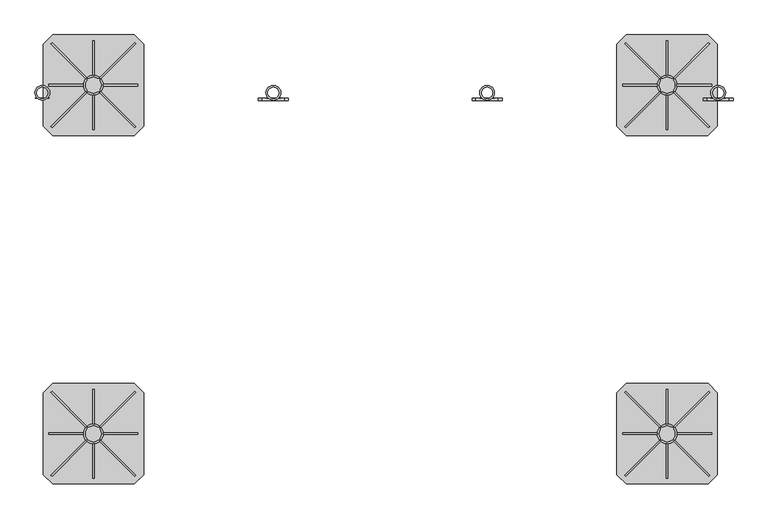
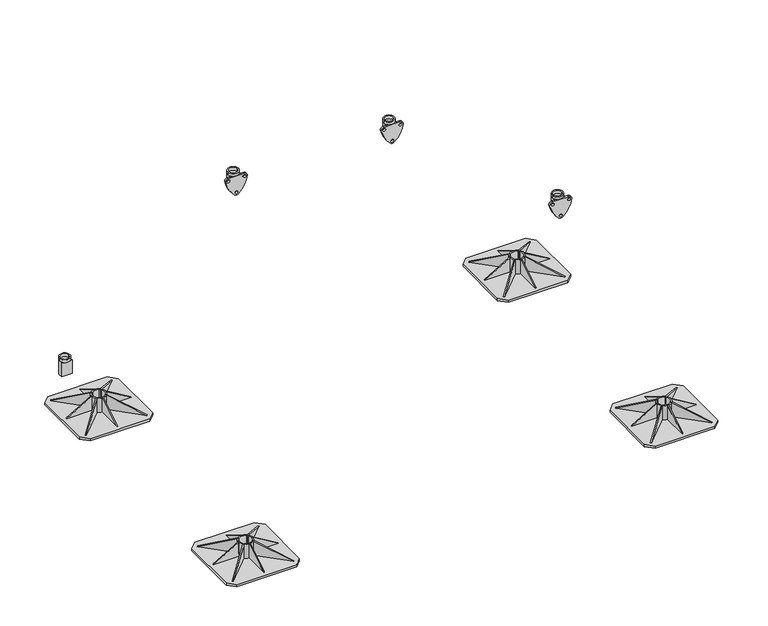
"""IFC4 building model written with IfcOpenShell, lengths in millimetres: beam geometry."""

from ifc_helpers import new_model, si_unit, point, frame, frame_2d, origin, origin_with_axes, place, context, project, spatial, polyline, circle_curve, trimmed, segment, composite_curve, outline, extrude, source, transform, mapped, element, save
from ifc_brep_helpers import plane_surface, cylinder_surface, revolved_surface, advanced_brep


def beam_ab8b3437(model_context):
    return source(origin(), model_context, "Body", "SolidModel", [
        extrude(outline(polyline([(0.0, 0.0), (169.9235121, 0.0), (145.0593839, -60.0564328), (0.0, 0.0)])), frame((1044.0218613, 419.9426048, 10.0), z_axis=(0.7071067811865491, 0.7071067811865459, 0.0), x_axis=(-0.653327860317026, 0.653327860317029, 0.3825250499864671)), (0.0, 0.0, 1.0), 5.0),
        extrude(outline(polyline([(0.0, 0.0), (-145.0593839, -60.0564328), (-169.9235121, 0.0), (0.0, 0.0)])), frame((780.9781387, 419.9426048, 10.0), z_axis=(-0.7071067811865449, 0.7071067811865502, 0.0), x_axis=(-0.65332786031703, -0.653327860317025, -0.38252504998646697)), (0.0, 0.0, 1.0), 5.0),
        extrude(outline(polyline([(0.0, 0.0), (169.9235121, 0.0), (145.0593839, -60.0564328), (0.0, 0.0)])), frame((1047.5573952, 686.5218613, 10.0), z_axis=(-0.707106781186539, 0.7071067811865561, 0.0), x_axis=(-0.6533278603170355, -0.6533278603170196, 0.3825250499864671)), (0.0, 0.0, 1.0), 5.0),
        extrude(outline(polyline([(10.0, 771.0), (10.0, 881.0), (75.0, 881.0), (10.0, 771.0)])), frame((0.0, 552.5, 0.0), z_axis=(0.0, 1.0, 0.0), x_axis=(0.0, 0.0, 1.0)), (0.0, 0.0, 1.0), 5.0),
        extrude(outline(polyline([(696.5, 10.0), (586.5, 10.0), (586.5, 75.0), (696.5, 10.0)])), frame((910.0, 0.0, 0.0), z_axis=(1.0, 0.0, 0.0), x_axis=(0.0, 1.0, 0.0)), (0.0, 0.0, 1.0), 5.0),
        extrude(outline(polyline([(413.5, 10.0), (523.5, 75.0), (523.5, 10.0), (413.5, 10.0)])), frame((910.0, 0.0, 0.0), z_axis=(1.0, 0.0, 0.0), x_axis=(0.0, 1.0, 0.0)), (0.0, 0.0, 1.0), 5.0),
        extrude(outline(polyline([(0.0, 0.0), (-145.0593839, -60.0564328), (-169.9235121, 0.0), (0.0, 0.0)])), frame((777.4426048, 686.5218613, 10.0), z_axis=(0.7071067811865491, 0.707106781186546, 0.0), x_axis=(-0.6533278603170262, 0.653327860317029, -0.3825250499864671)), (0.0, 0.0, 1.0), 5.0),
        extrude(outline(polyline([(10.0, 1054.0), (75.0, 944.0), (10.0, 944.0), (10.0, 1054.0)])), frame((0.0, 552.5, 0.0), z_axis=(0.0, 1.0, 0.0), x_axis=(0.0, 0.0, 1.0)), (0.0, 0.0, 1.0), 5.0),
        extrude(outline(composite_curve([segment(trimmed(circle_curve(frame_2d((912.5, 555.0)), 31.5), [point((881.0, 555.0))], [point((944.0, 555.0))], False, "CARTESIAN"), True, "CONTINUOUS"), segment(trimmed(circle_curve(frame_2d((912.5, 555.0)), 31.5), [point((944.0, 555.0))], [point((881.0, 555.0))], False, "CARTESIAN"), True, "CONTINUOUS")], self_intersect=False), holes=[composite_curve([segment(polyline([(892.5, 540.0), (892.5, 535.0), (897.5, 535.0)]), True, "CONTINUOUS"), segment(trimmed(circle_curve(frame_2d((912.5, 555.0)), 25.0), [point((897.5, 535.0))], [point((927.5, 535.0))], True, "CARTESIAN"), True, "CONTINUOUS"), segment(polyline([(927.5, 535.0), (932.5, 535.0), (932.5, 540.0)]), True, "CONTINUOUS"), segment(trimmed(circle_curve(frame_2d((912.5, 555.0)), 25.0), [point((932.5, 540.0))], [point((932.5, 570.0))], True, "CARTESIAN"), True, "CONTINUOUS"), segment(polyline([(932.5, 570.0), (932.5, 575.0), (927.5, 575.0)]), True, "CONTINUOUS"), segment(trimmed(circle_curve(frame_2d((912.5, 555.0)), 25.0), [point((927.5, 575.0))], [point((897.5, 575.0))], True, "CARTESIAN"), True, "CONTINUOUS"), segment(polyline([(897.5, 575.0), (892.5, 575.0), (892.5, 570.0)]), True, "CONTINUOUS"), segment(trimmed(circle_curve(frame_2d((912.5, 555.0)), 25.0), [point((892.5, 570.0))], [point((892.5, 540.0))], True, "CARTESIAN"), True, "CONTINUOUS")], self_intersect=False)]), frame((0.0, 0.0, 10.0), z_axis=(0.0, 0.0, 1.0), x_axis=(1.0, 0.0, 0.0)), (0.0, 0.0, 1.0), 65.0),
        extrude(outline(polyline([(1042.5, 715.0), (1072.5, 685.0), (1072.5, 425.0), (1042.5, 395.0), (782.5, 395.0), (752.5, 425.0), (752.5, 685.0), (782.5, 715.0), (1042.5, 715.0)])), origin_with_axes(), (0.0, 0.0, 1.0), 10.0),
        extrude(outline(polyline([(0.0, 0.0), (169.9235121, 0.0), (145.0593839, -60.0564328), (0.0, 0.0)])), frame((-780.9781387, 419.9426048, 10.0), z_axis=(0.7071067811865491, 0.7071067811865459, 0.0), x_axis=(-0.653327860317026, 0.653327860317029, 0.3825250499864671)), (0.0, 0.0, 1.0), 5.0),
        extrude(outline(polyline([(0.0, 0.0), (-145.0593839, -60.0564328), (-169.9235121, 0.0), (0.0, 0.0)])), frame((-1044.0218613, 419.9426048, 10.0), z_axis=(-0.7071067811865449, 0.7071067811865502, 0.0), x_axis=(-0.65332786031703, -0.653327860317025, -0.38252504998646697)), (0.0, 0.0, 1.0), 5.0),
        extrude(outline(polyline([(0.0, 0.0), (169.9235121, 0.0), (145.0593839, -60.0564328), (0.0, 0.0)])), frame((-777.4426048, 686.5218613, 10.0), z_axis=(-0.707106781186539, 0.7071067811865561, 0.0), x_axis=(-0.6533278603170355, -0.6533278603170196, 0.3825250499864671)), (0.0, 0.0, 1.0), 5.0),
        extrude(outline(polyline([(10.0, -1054.0), (10.0, -944.0), (75.0, -944.0), (10.0, -1054.0)])), frame((0.0, 552.5, 0.0), z_axis=(0.0, 1.0, 0.0), x_axis=(0.0, 0.0, 1.0)), (0.0, 0.0, 1.0), 5.0),
        extrude(outline(polyline([(696.5, 10.0), (586.5, 10.0), (586.5, 75.0), (696.5, 10.0)])), frame((-915.0, 0.0, 0.0), z_axis=(1.0, 0.0, 0.0), x_axis=(0.0, 1.0, 0.0)), (0.0, 0.0, 1.0), 5.0),
        extrude(outline(polyline([(413.5, 10.0), (523.5, 75.0), (523.5, 10.0), (413.5, 10.0)])), frame((-915.0, 0.0, 0.0), z_axis=(1.0, 0.0, 0.0), x_axis=(0.0, 1.0, 0.0)), (0.0, 0.0, 1.0), 5.0),
        extrude(outline(polyline([(0.0, 0.0), (-145.0593839, -60.0564328), (-169.9235121, 0.0), (0.0, 0.0)])), frame((-1047.5573952, 686.5218613, 10.0), z_axis=(0.7071067811865491, 0.707106781186546, 0.0), x_axis=(-0.6533278603170262, 0.653327860317029, -0.3825250499864671)), (0.0, 0.0, 1.0), 5.0),
        extrude(outline(polyline([(10.0, -771.0), (75.0, -881.0), (10.0, -881.0), (10.0, -771.0)])), frame((0.0, 552.5, 0.0), z_axis=(0.0, 1.0, 0.0), x_axis=(0.0, 0.0, 1.0)), (0.0, 0.0, 1.0), 5.0),
        extrude(outline(composite_curve([segment(trimmed(circle_curve(frame_2d((-912.5, 555.0)), 31.5), [point((-944.0, 555.0))], [point((-881.0, 555.0))], False, "CARTESIAN"), True, "CONTINUOUS"), segment(trimmed(circle_curve(frame_2d((-912.5, 555.0)), 31.5), [point((-881.0, 555.0))], [point((-944.0, 555.0))], False, "CARTESIAN"), True, "CONTINUOUS")], self_intersect=False), holes=[composite_curve([segment(polyline([(-932.5, 540.0), (-932.5, 535.0), (-927.5, 535.0)]), True, "CONTINUOUS"), segment(trimmed(circle_curve(frame_2d((-912.5, 555.0)), 25.0), [point((-927.5, 535.0))], [point((-897.5, 535.0))], True, "CARTESIAN"), True, "CONTINUOUS"), segment(polyline([(-897.5, 535.0), (-892.5, 535.0), (-892.5, 540.0)]), True, "CONTINUOUS"), segment(trimmed(circle_curve(frame_2d((-912.5, 555.0)), 25.0), [point((-892.5, 540.0))], [point((-892.5, 570.0))], True, "CARTESIAN"), True, "CONTINUOUS"), segment(polyline([(-892.5, 570.0), (-892.5, 575.0), (-897.5, 575.0)]), True, "CONTINUOUS"), segment(trimmed(circle_curve(frame_2d((-912.5, 555.0)), 25.0), [point((-897.5, 575.0))], [point((-927.5, 575.0))], True, "CARTESIAN"), True, "CONTINUOUS"), segment(polyline([(-927.5, 575.0), (-932.5, 575.0), (-932.5, 570.0)]), True, "CONTINUOUS"), segment(trimmed(circle_curve(frame_2d((-912.5, 555.0)), 25.0), [point((-932.5, 570.0))], [point((-932.5, 540.0))], True, "CARTESIAN"), True, "CONTINUOUS")], self_intersect=False)]), frame((0.0, 0.0, 10.0), z_axis=(0.0, 0.0, 1.0), x_axis=(1.0, 0.0, 0.0)), (0.0, 0.0, 1.0), 65.0),
        extrude(outline(polyline([(-782.5, 715.0), (-752.5, 685.0), (-752.5, 425.0), (-782.5, 395.0), (-1042.5, 395.0), (-1072.5, 425.0), (-1072.5, 685.0), (-1042.5, 715.0), (-782.5, 715.0)])), origin_with_axes(), (0.0, 0.0, 1.0), 10.0),
        extrude(outline(polyline([(0.0, 0.0), (169.9235121, 0.0), (145.0593839, -60.0564328), (0.0, 0.0)])), frame((1044.3159116, -690.0573952, 10.0), z_axis=(0.7071067811865491, 0.7071067811865459, 0.0), x_axis=(-0.653327860317026, 0.653327860317029, 0.3825250499864671)), (0.0, 0.0, 1.0), 5.0),
        extrude(outline(polyline([(0.0, 0.0), (-145.059384, -60.0564328), (-169.9235122, 0.0), (0.0, 0.0)])), frame((781.272189, -690.0573952, 10.0), z_axis=(-0.7071067811865449, 0.7071067811865502, 0.0), x_axis=(-0.65332786031703, -0.653327860317025, -0.38252504998646697)), (0.0, 0.0, 1.0), 5.0),
        extrude(outline(polyline([(0.0, 0.0), (169.9235121, 0.0), (145.0593839, -60.0564328), (0.0, 0.0)])), frame((1047.8514455, -423.4781387, 10.0), z_axis=(-0.707106781186539, 0.7071067811865561, 0.0), x_axis=(-0.6533278603170355, -0.6533278603170196, 0.3825250499864671)), (0.0, 0.0, 1.0), 5.0),
        extrude(outline(polyline([(10.0, 771.2940503), (10.0, 881.2940503), (75.0, 881.2940503), (10.0, 771.2940503)])), frame((0.0, -557.5, 0.0), z_axis=(0.0, 1.0, 0.0), x_axis=(0.0, 0.0, 1.0)), (0.0, 0.0, 1.0), 5.0),
        extrude(outline(polyline([(-413.5, 10.0), (-523.5, 10.0), (-523.5, 75.0), (-413.5, 10.0)])), frame((910.2940503, 0.0, 0.0), z_axis=(1.0, 0.0, 0.0), x_axis=(0.0, 1.0, 0.0)), (0.0, 0.0, 1.0), 5.0),
        extrude(outline(polyline([(-696.5, 10.0), (-586.5, 75.0), (-586.5, 10.0), (-696.5, 10.0)])), frame((910.2940503, 0.0, 0.0), z_axis=(1.0, 0.0, 0.0), x_axis=(0.0, 1.0, 0.0)), (0.0, 0.0, 1.0), 5.0),
        extrude(outline(polyline([(0.0, 0.0), (-145.059384, -60.0564328), (-169.9235122, 0.0), (0.0, 0.0)])), frame((777.7366551, -423.4781387, 10.0), z_axis=(0.7071067811865491, 0.707106781186546, 0.0), x_axis=(-0.6533278603170262, 0.653327860317029, -0.3825250499864671)), (0.0, 0.0, 1.0), 5.0),
        extrude(outline(polyline([(10.0, 1054.2940503), (75.0, 944.2940503), (10.0, 944.2940503), (10.0, 1054.2940503)])), frame((0.0, -557.5, 0.0), z_axis=(0.0, 1.0, 0.0), x_axis=(0.0, 0.0, 1.0)), (0.0, 0.0, 1.0), 5.0),
        extrude(outline(composite_curve([segment(trimmed(circle_curve(frame_2d((912.7940503, -555.0)), 31.5), [point((881.2940503, -555.0))], [point((944.2940503, -555.0))], False, "CARTESIAN"), True, "CONTINUOUS"), segment(trimmed(circle_curve(frame_2d((912.7940503, -555.0)), 31.5), [point((944.2940503, -555.0))], [point((881.2940503, -555.0))], False, "CARTESIAN"), True, "CONTINUOUS")], self_intersect=False), holes=[composite_curve([segment(polyline([(892.7940503, -570.0), (892.7940503, -575.0), (897.7940503, -575.0)]), True, "CONTINUOUS"), segment(trimmed(circle_curve(frame_2d((912.7940503, -555.0)), 25.0), [point((897.7940503, -575.0))], [point((927.7940503, -575.0))], True, "CARTESIAN"), True, "CONTINUOUS"), segment(polyline([(927.7940503, -575.0), (932.7940503, -575.0), (932.7940503, -570.0)]), True, "CONTINUOUS"), segment(trimmed(circle_curve(frame_2d((912.7940503, -555.0)), 25.0), [point((932.7940503, -570.0))], [point((932.7940503, -540.0))], True, "CARTESIAN"), True, "CONTINUOUS"), segment(polyline([(932.7940503, -540.0), (932.7940503, -535.0), (927.7940503, -535.0)]), True, "CONTINUOUS"), segment(trimmed(circle_curve(frame_2d((912.7940503, -555.0)), 25.0), [point((927.7940503, -535.0))], [point((897.7940503, -535.0))], True, "CARTESIAN"), True, "CONTINUOUS"), segment(polyline([(897.7940503, -535.0), (892.7940503, -535.0), (892.7940503, -540.0)]), True, "CONTINUOUS"), segment(trimmed(circle_curve(frame_2d((912.7940503, -555.0)), 25.0), [point((892.7940503, -540.0))], [point((892.7940503, -570.0))], True, "CARTESIAN"), True, "CONTINUOUS")], self_intersect=False)]), frame((0.0, 0.0, 10.0), z_axis=(0.0, 0.0, 1.0), x_axis=(1.0, 0.0, 0.0)), (0.0, 0.0, 1.0), 65.0),
        extrude(outline(polyline([(1042.7940503, -395.0), (1072.7940503, -425.0), (1072.7940503, -685.0), (1042.7940503, -715.0), (782.7940503, -715.0), (752.7940503, -685.0), (752.7940503, -425.0), (782.7940503, -395.0), (1042.7940503, -395.0)])), origin_with_axes(), (0.0, 0.0, 1.0), 10.0),
        extrude(outline(polyline([(0.0, 0.0), (169.9235121, 0.0), (145.0593839, -60.0564328), (0.0, 0.0)])), frame((-780.9781387, -690.0573952, 10.0), z_axis=(0.7071067811865491, 0.7071067811865459, 0.0), x_axis=(-0.653327860317026, 0.653327860317029, 0.3825250499864671)), (0.0, 0.0, 1.0), 5.0),
        extrude(outline(polyline([(0.0, 0.0), (-145.0593839, -60.0564328), (-169.9235121, 0.0), (0.0, 0.0)])), frame((-1044.0218613, -690.0573952, 10.0), z_axis=(-0.7071067811865449, 0.7071067811865502, 0.0), x_axis=(-0.65332786031703, -0.653327860317025, -0.38252504998646697)), (0.0, 0.0, 1.0), 5.0),
        extrude(outline(polyline([(0.0, 0.0), (169.9235121, 0.0), (145.0593839, -60.0564328), (0.0, 0.0)])), frame((-777.4426048, -423.4781387, 10.0), z_axis=(-0.707106781186539, 0.7071067811865561, 0.0), x_axis=(-0.6533278603170355, -0.6533278603170196, 0.3825250499864671)), (0.0, 0.0, 1.0), 5.0),
        extrude(outline(polyline([(10.0, -1054.0), (10.0, -944.0), (75.0, -944.0), (10.0, -1054.0)])), frame((0.0, -557.5, 0.0), z_axis=(0.0, 1.0, 0.0), x_axis=(0.0, 0.0, 1.0)), (0.0, 0.0, 1.0), 5.0),
        extrude(outline(polyline([(-413.5, 10.0), (-523.5, 10.0), (-523.5, 75.0), (-413.5, 10.0)])), frame((-915.0, 0.0, 0.0), z_axis=(1.0, 0.0, 0.0), x_axis=(0.0, 1.0, 0.0)), (0.0, 0.0, 1.0), 5.0),
        extrude(outline(polyline([(-696.5, 10.0), (-586.5, 75.0), (-586.5, 10.0), (-696.5, 10.0)])), frame((-915.0, 0.0, 0.0), z_axis=(1.0, 0.0, 0.0), x_axis=(0.0, 1.0, 0.0)), (0.0, 0.0, 1.0), 5.0),
        extrude(outline(polyline([(0.0, 0.0), (-145.0593839, -60.0564328), (-169.9235121, 0.0), (0.0, 0.0)])), frame((-1047.5573952, -423.4781387, 10.0), z_axis=(0.7071067811865491, 0.707106781186546, 0.0), x_axis=(-0.6533278603170262, 0.653327860317029, -0.3825250499864671)), (0.0, 0.0, 1.0), 5.0),
        extrude(outline(polyline([(10.0, -771.0), (75.0, -881.0), (10.0, -881.0), (10.0, -771.0)])), frame((0.0, -557.5, 0.0), z_axis=(0.0, 1.0, 0.0), x_axis=(0.0, 0.0, 1.0)), (0.0, 0.0, 1.0), 5.0),
        extrude(outline(composite_curve([segment(trimmed(circle_curve(frame_2d((-912.5, -555.0)), 31.5), [point((-944.0, -555.0))], [point((-881.0, -555.0))], False, "CARTESIAN"), True, "CONTINUOUS"), segment(trimmed(circle_curve(frame_2d((-912.5, -555.0)), 31.5), [point((-881.0, -555.0))], [point((-944.0, -555.0))], False, "CARTESIAN"), True, "CONTINUOUS")], self_intersect=False), holes=[composite_curve([segment(polyline([(-932.5, -570.0), (-932.5, -575.0), (-927.5, -575.0)]), True, "CONTINUOUS"), segment(trimmed(circle_curve(frame_2d((-912.5, -555.0)), 25.0), [point((-927.5, -575.0))], [point((-897.5, -575.0))], True, "CARTESIAN"), True, "CONTINUOUS"), segment(polyline([(-897.5, -575.0), (-892.5, -575.0), (-892.5, -570.0)]), True, "CONTINUOUS"), segment(trimmed(circle_curve(frame_2d((-912.5, -555.0)), 25.0), [point((-892.5, -570.0))], [point((-892.5, -540.0))], True, "CARTESIAN"), True, "CONTINUOUS"), segment(polyline([(-892.5, -540.0), (-892.5, -535.0), (-897.5, -535.0)]), True, "CONTINUOUS"), segment(trimmed(circle_curve(frame_2d((-912.5, -555.0)), 25.0), [point((-897.5, -535.0))], [point((-927.5, -535.0))], True, "CARTESIAN"), True, "CONTINUOUS"), segment(polyline([(-927.5, -535.0), (-932.5, -535.0), (-932.5, -540.0)]), True, "CONTINUOUS"), segment(trimmed(circle_curve(frame_2d((-912.5, -555.0)), 25.0), [point((-932.5, -540.0))], [point((-932.5, -570.0))], True, "CARTESIAN"), True, "CONTINUOUS")], self_intersect=False)]), frame((0.0, 0.0, 10.0), z_axis=(0.0, 0.0, 1.0), x_axis=(1.0, 0.0, 0.0)), (0.0, 0.0, 1.0), 65.0),
        extrude(outline(polyline([(-782.5, -395.0), (-752.5, -425.0), (-752.5, -685.0), (-782.5, -715.0), (-1042.5, -715.0), (-1072.5, -685.0), (-1072.5, -425.0), (-1042.5, -395.0), (-782.5, -395.0)])), origin_with_axes(), (0.0, 0.0, 1.0), 10.0),
        advanced_brep(
        [(1051.5, 530.5, 318.5021879), (1098.5, 530.5, 318.5021879), (1057.5, 530.5, 318.5021879), (1092.5, 530.5, 318.5021879), (1059.3156129, 513.0, 306.5021879), (1075.0, 513.0, 306.5021879), (1090.6843871, 513.0, 306.5021879), (1092.5, 530.5, 306.5021879), (1079.2742096, 513.5299932, 306.5021879), (1075.0, 513.0, 306.5021879), (1070.7257904, 513.5299932, 306.5021879), (1057.5, 530.5, 306.5021879), (1098.5, 530.5, 306.5021879), (1051.5, 530.5, 306.5021879), (1055.0724935, 518.0442991, 306.5021879), (1094.9275065, 518.0442991, 306.5021879), (1097.839834, 513.0, 306.5021879), (1052.160166, 513.0, 306.5021879), (1094.9275065, 518.0442991, 242.5021879), (1097.839834, 513.0, 242.5021879), (1052.160166, 513.0, 242.5021879), (1055.0724935, 518.0442991, 242.5021879), (1079.2742096, 513.5299932, 242.5021879), (1070.7257904, 513.5299932, 242.5021879)],
        [
            (0, 1, circle_curve(frame((1075.0, 530.5, 318.5021879), z_axis=(0.0, 0.0, 1.0), x_axis=(1.0, 0.0, 0.0)), 23.5)),
            (1, 0, circle_curve(frame((1075.0, 530.5, 318.5021879), z_axis=(0.0, 0.0, 1.0), x_axis=(1.0, 0.0, 0.0)), 23.5)),
            (2, 3, circle_curve(frame((1075.0, 530.5, 318.5021879), z_axis=(0.0, 0.0, -1.0), x_axis=(1.0, 0.0, 0.0)), 17.5)),
            (3, 2, circle_curve(frame((1075.0, 530.5, 318.5021879), z_axis=(0.0, 0.0, -1.0), x_axis=(1.0, 0.0, 0.0)), 17.5)),
            (4, 5),
            (5, 6),
            (6, 4, circle_curve(frame((1075.0, 530.5, 306.5021879), z_axis=(0.0, 0.0, -1.0), x_axis=(1.0, 0.0, 0.0)), 23.5)),
            (3, 7),
            (7, 8, circle_curve(frame((1075.0, 530.5, 306.5021879), z_axis=(0.0, 0.0, -1.0), x_axis=(1.0, 0.0, 0.0)), 17.5)),
            (8, 9, circle_curve(frame((1075.0, 530.5, 306.5021879), z_axis=(0.0, 0.0, -1.0), x_axis=(1.0, 0.0, 0.0)), 17.5)),
            (9, 10, circle_curve(frame((1075.0, 530.5, 306.5021879), z_axis=(0.0, 0.0, -1.0), x_axis=(1.0, 0.0, 0.0)), 17.5)),
            (10, 11, circle_curve(frame((1075.0, 530.5, 306.5021879), z_axis=(0.0, 0.0, -1.0), x_axis=(1.0, 0.0, 0.0)), 17.5)),
            (11, 2),
            (11, 7, circle_curve(frame((1075.0, 530.5, 306.5021879), z_axis=(0.0, 0.0, -1.0), x_axis=(1.0, 0.0, 0.0)), 17.5)),
            (1, 12),
            (12, 13, circle_curve(frame((1075.0, 530.5, 306.5021879), z_axis=(0.0, 0.0, 1.0), x_axis=(1.0, 0.0, 0.0)), 23.5)),
            (13, 0),
            (13, 14, circle_curve(frame((1075.0, 530.5, 306.5021879), z_axis=(0.0, 0.0, 1.0), x_axis=(1.0, 0.0, 0.0)), 23.5)),
            (14, 4, circle_curve(frame((1075.0, 530.5, 306.5021879), z_axis=(0.0, 0.0, 1.0), x_axis=(1.0, 0.0, 0.0)), 23.5)),
            (6, 15, circle_curve(frame((1075.0, 530.5, 306.5021879), z_axis=(0.0, 0.0, 1.0), x_axis=(1.0, 0.0, 0.0)), 23.5)),
            (15, 12, circle_curve(frame((1075.0, 530.5, 306.5021879), z_axis=(0.0, 0.0, 1.0), x_axis=(1.0, 0.0, 0.0)), 23.5)),
            (8, 10),
            (6, 16),
            (16, 15, circle_curve(frame((1097.8288747, 516.3565387, 306.5021879), z_axis=(0.0, 0.0, -1.0), x_axis=(-1.0, 0.0, 0.0)), 3.3565566)),
            (17, 4),
            (14, 17, circle_curve(frame((1052.1711253, 516.3565387, 306.5021879), z_axis=(0.0, 0.0, -1.0), x_axis=(1.0, 0.0, 0.0)), 3.3565566)),
            (18, 19, circle_curve(frame((1097.8288747, 516.3565387, 242.5021879), z_axis=(0.0, 0.0, 1.0), x_axis=(-1.0, 0.0, 0.0)), 3.3565566)),
            (19, 20),
            (20, 21, circle_curve(frame((1052.1711253, 516.3565387, 242.5021879), z_axis=(0.0, 0.0, 1.0), x_axis=(1.0, 0.0, 0.0)), 3.3565566)),
            (21, 18, circle_curve(frame((1075.0, 530.5, 242.5021879), z_axis=(0.0, 0.0, -1.0), x_axis=(1.0, 0.0, 0.0)), 23.5)),
            (22, 23, circle_curve(frame((1075.0, 530.5, 242.5021879), z_axis=(0.0, 0.0, 1.0), x_axis=(1.0, 0.0, 0.0)), 17.5)),
            (23, 22),
            (22, 8),
            (10, 23),
            (16, 19),
            (18, 15),
            (17, 20),
            (14, 21),
        ],
        [
            plane_surface(frame((1092.5, 530.5, 318.5021879), z_axis=(0.0, 0.0, 1.0), x_axis=(0.0, 1.0, 0.0))),
            plane_surface(frame((1092.5, 530.5, 306.5021879), z_axis=(0.0, 0.0, -1.0), x_axis=(0.0, -1.0, 0.0))),
            revolved_surface(polyline([(1092.5, 530.5, 306.5021879), (1092.5, 530.5, 318.5021879)]), (1075.0, 530.5, 306.5021879), (0.0, 0.0, -1.0)),
            cylinder_surface(frame((1075.0, 530.5, 306.5021879), z_axis=(0.0, 0.0, 1.0), x_axis=(1.0, 0.0, 0.0)), 23.5),
            plane_surface(frame((1092.5, 530.5, 306.5021879), z_axis=(0.0, 0.0, 1.0), x_axis=(0.0, 1.0, 0.0))),
            plane_surface(frame((1092.5, 530.5, 242.5021879), z_axis=(0.0, 0.0, -1.0), x_axis=(0.0, -1.0, 0.0))),
            revolved_surface(polyline([(1092.5, 530.5, 242.5021879), (1092.5, 530.5, 306.5021879)]), (1075.0, 530.5, 242.5021879), (0.0, 0.0, -1.0)),
            plane_surface(frame((1070.7257904, 513.5299932, 306.5021879), z_axis=(0.0, 1.0, 0.0), x_axis=(0.0, 0.0, -1.0))),
            revolved_surface(polyline([(1094.4723181, 516.3565387, 242.5021879), (1094.4723181, 516.3565387, 306.5021879)]), (1097.8288747, 516.3565387, 242.5021879), (0.0, 0.0, -1.0)),
            plane_surface(frame((1097.839834, 513.0, 306.5021879), z_axis=(0.0, -1.0, 0.0), x_axis=(0.0, 0.0, -1.0))),
            revolved_surface(polyline([(1055.5276819, 516.3565387, 242.5021879), (1055.5276819, 516.3565387, 306.5021879)]), (1052.1711253, 516.3565387, 242.5021879), (0.0, 0.0, -1.0)),
            cylinder_surface(frame((1075.0, 530.5, 242.5021879), z_axis=(0.0, 0.0, 1.0), x_axis=(1.0, 0.0, 0.0)), 23.5),
        ],
        [
            (0, [[1, 2], [3, 4]]),
            (1, [[5, 6, 7]]),
            (2, [[8, 9, 10, 11, 12, 13, -4]]),
            (2, [[-13, 14, -8, -3]]),
            (3, [[15, 16, 17, -2]]),
            (3, [[-17, 18, 19, -7, 20, 21, -15, -1]]),
            (4, [[-11, -10, 22]]),
            (4, [[-20, 23, 24]]),
            (4, [[25, -19, 26]]),
            (5, [[27, 28, 29, 30], [31, 32]]),
            (6, [[33, -9, -14, -12, 34, -31]]),
            (7, [[-33, -32, -34, -22]]),
            (8, [[35, -27, 36, -24]]),
            (9, [[-35, -23, -6, -5, -25, 37, -28]]),
            (10, [[38, -29, -37, -26]]),
            (11, [[-38, -18, -16, -21, -36, -30]]),
        ],
    ),
        extrude(outline(composite_curve([segment(trimmed(circle_curve(frame_2d((312.1021879, 1144.4)), 118.3), [point((293.8380046, 1027.5183949))], [point((221.6269174, 1068.1824467))], False, "CARTESIAN"), True, "CONTINUOUS"), segment(trimmed(circle_curve(frame_2d((231.5021879, 1075.0)), 12.0), [point((221.6269174, 1068.1824467))], [point((223.2936993, 1083.753326))], False, "CARTESIAN"), True, "CONTINUOUS"), segment(trimmed(circle_curve(frame_2d((312.1021879, 1005.6)), 118.3), [point((223.2936993, 1083.753326))], [point((293.8380046, 1122.4816051))], False, "CARTESIAN"), True, "CONTINUOUS"), segment(trimmed(circle_curve(frame_2d((294.5021879, 1110.5)), 12.0), [point((293.8380046, 1122.4816051))], [point((306.5021879, 1110.5))], False, "CARTESIAN"), True, "CONTINUOUS"), segment(polyline([(306.5021879, 1110.5), (306.5021879, 1039.5)]), True, "CONTINUOUS"), segment(trimmed(circle_curve(frame_2d((294.5021879, 1039.5)), 12.0), [point((306.5021879, 1039.5))], [point((293.8380046, 1027.5183949))], False, "CARTESIAN"), True, "CONTINUOUS")], self_intersect=False), holes=[composite_curve([segment(trimmed(circle_curve(frame_2d((231.5021879, 1075.0)), 6.0), [point((231.5021879, 1069.0))], [point((231.5021879, 1081.0))], True, "CARTESIAN"), True, "CONTINUOUS"), segment(trimmed(circle_curve(frame_2d((231.5021879, 1075.0)), 6.0), [point((231.5021879, 1081.0))], [point((231.5021879, 1069.0))], True, "CARTESIAN"), True, "CONTINUOUS")], self_intersect=False), composite_curve([segment(trimmed(circle_curve(frame_2d((294.5021879, 1039.5)), 6.0), [point((294.5021879, 1033.5))], [point((294.5021879, 1045.5))], True, "CARTESIAN"), True, "CONTINUOUS"), segment(trimmed(circle_curve(frame_2d((294.5021879, 1039.5)), 6.0), [point((294.5021879, 1045.5))], [point((294.5021879, 1033.5))], True, "CARTESIAN"), True, "CONTINUOUS")], self_intersect=False), composite_curve([segment(trimmed(circle_curve(frame_2d((294.5021879, 1110.5)), 6.0), [point((294.5021879, 1116.5))], [point((294.5021879, 1104.5))], True, "CARTESIAN"), True, "CONTINUOUS"), segment(trimmed(circle_curve(frame_2d((294.5021879, 1110.5)), 6.0), [point((294.5021879, 1104.5))], [point((294.5021879, 1116.5))], True, "CARTESIAN"), True, "CONTINUOUS")], self_intersect=False)]), frame((0.0, 505.0, 0.0), z_axis=(0.0, 1.0, 0.0), x_axis=(0.0, 0.0, 1.0)), (0.0, 0.0, 1.0), 8.0),
        advanced_brep(
        [(316.5, 530.5, 920.5021879), (363.5, 530.5, 920.5021879), (322.5, 530.5, 920.5021879), (357.5, 530.5, 920.5021879), (324.3156129, 513.0, 908.5021879), (340.0, 513.0, 908.5021879), (355.6843871, 513.0, 908.5021879), (357.5, 530.5, 908.5021879), (344.2742096, 513.5299932, 908.5021879), (340.0, 513.0, 908.5021879), (335.7257904, 513.5299932, 908.5021879), (322.5, 530.5, 908.5021879), (363.5, 530.5, 908.5021879), (316.5, 530.5, 908.5021879), (320.0724935, 518.0442991, 908.5021879), (359.9275065, 518.0442991, 908.5021879), (362.839834, 513.0, 908.5021879), (317.160166, 513.0, 908.5021879), (359.9275065, 518.0442991, 844.5021879), (362.839834, 513.0, 844.5021879), (317.160166, 513.0, 844.5021879), (320.0724935, 518.0442991, 844.5021879), (344.2742096, 513.5299932, 844.5021879), (335.7257904, 513.5299932, 844.5021879)],
        [
            (0, 1, circle_curve(frame((340.0, 530.5, 920.5021879), z_axis=(0.0, 0.0, 1.0), x_axis=(1.0, 0.0, 0.0)), 23.5)),
            (1, 0, circle_curve(frame((340.0, 530.5, 920.5021879), z_axis=(0.0, 0.0, 1.0), x_axis=(1.0, 0.0, 0.0)), 23.5)),
            (2, 3, circle_curve(frame((340.0, 530.5, 920.5021879), z_axis=(0.0, 0.0, -1.0), x_axis=(1.0, 0.0, 0.0)), 17.5)),
            (3, 2, circle_curve(frame((340.0, 530.5, 920.5021879), z_axis=(0.0, 0.0, -1.0), x_axis=(1.0, 0.0, 0.0)), 17.5)),
            (4, 5),
            (5, 6),
            (6, 4, circle_curve(frame((340.0, 530.5, 908.5021879), z_axis=(0.0, 0.0, -1.0), x_axis=(1.0, 0.0, 0.0)), 23.5)),
            (3, 7),
            (7, 8, circle_curve(frame((340.0, 530.5, 908.5021879), z_axis=(0.0, 0.0, -1.0), x_axis=(1.0, 0.0, 0.0)), 17.5)),
            (8, 9, circle_curve(frame((340.0, 530.5, 908.5021879), z_axis=(0.0, 0.0, -1.0), x_axis=(1.0, 0.0, 0.0)), 17.5)),
            (9, 10, circle_curve(frame((340.0, 530.5, 908.5021879), z_axis=(0.0, 0.0, -1.0), x_axis=(1.0, 0.0, 0.0)), 17.5)),
            (10, 11, circle_curve(frame((340.0, 530.5, 908.5021879), z_axis=(0.0, 0.0, -1.0), x_axis=(1.0, 0.0, 0.0)), 17.5)),
            (11, 2),
            (11, 7, circle_curve(frame((340.0, 530.5, 908.5021879), z_axis=(0.0, 0.0, -1.0), x_axis=(1.0, 0.0, 0.0)), 17.5)),
            (1, 12),
            (12, 13, circle_curve(frame((340.0, 530.5, 908.5021879), z_axis=(0.0, 0.0, 1.0), x_axis=(1.0, 0.0, 0.0)), 23.5)),
            (13, 0),
            (13, 14, circle_curve(frame((340.0, 530.5, 908.5021879), z_axis=(0.0, 0.0, 1.0), x_axis=(1.0, 0.0, 0.0)), 23.5)),
            (14, 4, circle_curve(frame((340.0, 530.5, 908.5021879), z_axis=(0.0, 0.0, 1.0), x_axis=(1.0, 0.0, 0.0)), 23.5)),
            (6, 15, circle_curve(frame((340.0, 530.5, 908.5021879), z_axis=(0.0, 0.0, 1.0), x_axis=(1.0, 0.0, 0.0)), 23.5)),
            (15, 12, circle_curve(frame((340.0, 530.5, 908.5021879), z_axis=(0.0, 0.0, 1.0), x_axis=(1.0, 0.0, 0.0)), 23.5)),
            (8, 10),
            (6, 16),
            (16, 15, circle_curve(frame((362.8288747, 516.3565387, 908.5021879), z_axis=(0.0, 0.0, -1.0), x_axis=(-1.0, 0.0, 0.0)), 3.3565566)),
            (17, 4),
            (14, 17, circle_curve(frame((317.1711253, 516.3565387, 908.5021879), z_axis=(0.0, 0.0, -1.0), x_axis=(1.0, 0.0, 0.0)), 3.3565566)),
            (18, 19, circle_curve(frame((362.8288747, 516.3565387, 844.5021879), z_axis=(0.0, 0.0, 1.0), x_axis=(-1.0, 0.0, 0.0)), 3.3565566)),
            (19, 20),
            (20, 21, circle_curve(frame((317.1711253, 516.3565387, 844.5021879), z_axis=(0.0, 0.0, 1.0), x_axis=(1.0, 0.0, 0.0)), 3.3565566)),
            (21, 18, circle_curve(frame((340.0, 530.5, 844.5021879), z_axis=(0.0, 0.0, -1.0), x_axis=(1.0, 0.0, 0.0)), 23.5)),
            (22, 23, circle_curve(frame((340.0, 530.5, 844.5021879), z_axis=(0.0, 0.0, 1.0), x_axis=(1.0, 0.0, 0.0)), 17.5)),
            (23, 22),
            (22, 8),
            (10, 23),
            (16, 19),
            (18, 15),
            (17, 20),
            (14, 21),
        ],
        [
            plane_surface(frame((357.5, 530.5, 920.5021879), z_axis=(0.0, 0.0, 1.0), x_axis=(0.0, 1.0, 0.0))),
            plane_surface(frame((357.5, 530.5, 908.5021879), z_axis=(0.0, 0.0, -1.0), x_axis=(0.0, -1.0, 0.0))),
            revolved_surface(polyline([(357.5, 530.5, 908.5021879), (357.5, 530.5, 920.5021879)]), (340.0, 530.5, 908.5021879), (0.0, 0.0, -1.0)),
            cylinder_surface(frame((340.0, 530.5, 908.5021879), z_axis=(0.0, 0.0, 1.0), x_axis=(1.0, 0.0, 0.0)), 23.5),
            plane_surface(frame((357.5, 530.5, 908.5021879), z_axis=(0.0, 0.0, 1.0), x_axis=(0.0, 1.0, 0.0))),
            plane_surface(frame((357.5, 530.5, 844.5021879), z_axis=(0.0, 0.0, -1.0), x_axis=(0.0, -1.0, 0.0))),
            revolved_surface(polyline([(357.5, 530.5, 844.5021879), (357.5, 530.5, 908.5021879)]), (340.0, 530.5, 844.5021879), (0.0, 0.0, -1.0)),
            plane_surface(frame((335.7257904, 513.5299932, 908.5021879), z_axis=(0.0, 1.0, 0.0), x_axis=(0.0, 0.0, -1.0))),
            revolved_surface(polyline([(359.4723181, 516.3565387, 844.5021879), (359.4723181, 516.3565387, 908.5021879)]), (362.8288747, 516.3565387, 844.5021879), (0.0, 0.0, -1.0)),
            plane_surface(frame((362.839834, 513.0, 908.5021879), z_axis=(0.0, -1.0, 0.0), x_axis=(0.0, 0.0, -1.0))),
            revolved_surface(polyline([(320.5276819, 516.3565387, 844.5021879), (320.5276819, 516.3565387, 908.5021879)]), (317.1711253, 516.3565387, 844.5021879), (0.0, 0.0, -1.0)),
            cylinder_surface(frame((340.0, 530.5, 844.5021879), z_axis=(0.0, 0.0, 1.0), x_axis=(1.0, 0.0, 0.0)), 23.5),
        ],
        [
            (0, [[1, 2], [3, 4]]),
            (1, [[5, 6, 7]]),
            (2, [[8, 9, 10, 11, 12, 13, -4]]),
            (2, [[-13, 14, -8, -3]]),
            (3, [[15, 16, 17, -2]]),
            (3, [[-17, 18, 19, -7, 20, 21, -15, -1]]),
            (4, [[-11, -10, 22]]),
            (4, [[-20, 23, 24]]),
            (4, [[25, -19, 26]]),
            (5, [[27, 28, 29, 30], [31, 32]]),
            (6, [[33, -9, -14, -12, 34, -31]]),
            (7, [[-33, -32, -34, -22]]),
            (8, [[35, -27, 36, -24]]),
            (9, [[-35, -23, -6, -5, -25, 37, -28]]),
            (10, [[38, -29, -37, -26]]),
            (11, [[-38, -18, -16, -21, -36, -30]]),
        ],
    ),
        extrude(outline(composite_curve([segment(trimmed(circle_curve(frame_2d((914.1021879, 409.4)), 118.3), [point((895.8380046, 292.5183949))], [point((823.6269174, 333.1824467))], False, "CARTESIAN"), True, "CONTINUOUS"), segment(trimmed(circle_curve(frame_2d((833.5021879, 340.0)), 12.0), [point((823.6269174, 333.1824467))], [point((825.2936993, 348.753326))], False, "CARTESIAN"), True, "CONTINUOUS"), segment(trimmed(circle_curve(frame_2d((914.1021879, 270.6)), 118.3), [point((825.2936993, 348.753326))], [point((895.8380046, 387.4816051))], False, "CARTESIAN"), True, "CONTINUOUS"), segment(trimmed(circle_curve(frame_2d((896.5021879, 375.5)), 12.0), [point((895.8380046, 387.4816051))], [point((908.5021879, 375.5))], False, "CARTESIAN"), True, "CONTINUOUS"), segment(polyline([(908.5021879, 375.5), (908.5021879, 304.5)]), True, "CONTINUOUS"), segment(trimmed(circle_curve(frame_2d((896.5021879, 304.5)), 12.0), [point((908.5021879, 304.5))], [point((895.8380046, 292.5183949))], False, "CARTESIAN"), True, "CONTINUOUS")], self_intersect=False), holes=[composite_curve([segment(trimmed(circle_curve(frame_2d((833.5021879, 340.0)), 6.0), [point((833.5021879, 334.0))], [point((833.5021879, 346.0))], True, "CARTESIAN"), True, "CONTINUOUS"), segment(trimmed(circle_curve(frame_2d((833.5021879, 340.0)), 6.0), [point((833.5021879, 346.0))], [point((833.5021879, 334.0))], True, "CARTESIAN"), True, "CONTINUOUS")], self_intersect=False), composite_curve([segment(trimmed(circle_curve(frame_2d((896.5021879, 304.5)), 6.0), [point((896.5021879, 298.5))], [point((896.5021879, 310.5))], True, "CARTESIAN"), True, "CONTINUOUS"), segment(trimmed(circle_curve(frame_2d((896.5021879, 304.5)), 6.0), [point((896.5021879, 310.5))], [point((896.5021879, 298.5))], True, "CARTESIAN"), True, "CONTINUOUS")], self_intersect=False), composite_curve([segment(trimmed(circle_curve(frame_2d((896.5021879, 375.5)), 6.0), [point((896.5021879, 381.5))], [point((896.5021879, 369.5))], True, "CARTESIAN"), True, "CONTINUOUS"), segment(trimmed(circle_curve(frame_2d((896.5021879, 375.5)), 6.0), [point((896.5021879, 369.5))], [point((896.5021879, 381.5))], True, "CARTESIAN"), True, "CONTINUOUS")], self_intersect=False)]), frame((0.0, 505.0, 0.0), z_axis=(0.0, 1.0, 0.0), x_axis=(0.0, 0.0, 1.0)), (0.0, 0.0, 1.0), 8.0),
        advanced_brep(
        [(-363.5, 530.5, 920.5021879), (-316.5, 530.5, 920.5021879), (-357.5, 530.5, 920.5021879), (-322.5, 530.5, 920.5021879), (-355.6843871, 513.0, 908.5021879), (-340.0, 513.0, 908.5021879), (-324.3156129, 513.0, 908.5021879), (-322.5, 530.5, 908.5021879), (-335.7257904, 513.5299932, 908.5021879), (-340.0, 513.0, 908.5021879), (-344.2742096, 513.5299932, 908.5021879), (-357.5, 530.5, 908.5021879), (-316.5, 530.5, 908.5021879), (-363.5, 530.5, 908.5021879), (-359.9275065, 518.0442991, 908.5021879), (-320.0724935, 518.0442991, 908.5021879), (-317.160166, 513.0, 908.5021879), (-362.839834, 513.0, 908.5021879), (-320.0724935, 518.0442991, 844.5021879), (-317.160166, 513.0, 844.5021879), (-362.839834, 513.0, 844.5021879), (-359.9275065, 518.0442991, 844.5021879), (-335.7257904, 513.5299932, 844.5021879), (-344.2742096, 513.5299932, 844.5021879)],
        [
            (0, 1, circle_curve(frame((-340.0, 530.5, 920.5021879), z_axis=(0.0, 0.0, 1.0), x_axis=(1.0, 0.0, 0.0)), 23.5)),
            (1, 0, circle_curve(frame((-340.0, 530.5, 920.5021879), z_axis=(0.0, 0.0, 1.0), x_axis=(1.0, 0.0, 0.0)), 23.5)),
            (2, 3, circle_curve(frame((-340.0, 530.5, 920.5021879), z_axis=(0.0, 0.0, -1.0), x_axis=(1.0, 0.0, 0.0)), 17.5)),
            (3, 2, circle_curve(frame((-340.0, 530.5, 920.5021879), z_axis=(0.0, 0.0, -1.0), x_axis=(1.0, 0.0, 0.0)), 17.5)),
            (4, 5),
            (5, 6),
            (6, 4, circle_curve(frame((-340.0, 530.5, 908.5021879), z_axis=(0.0, 0.0, -1.0), x_axis=(1.0, 0.0, 0.0)), 23.5)),
            (3, 7),
            (7, 8, circle_curve(frame((-340.0, 530.5, 908.5021879), z_axis=(0.0, 0.0, -1.0), x_axis=(1.0, 0.0, 0.0)), 17.5)),
            (8, 9, circle_curve(frame((-340.0, 530.5, 908.5021879), z_axis=(0.0, 0.0, -1.0), x_axis=(1.0, 0.0, 0.0)), 17.5)),
            (9, 10, circle_curve(frame((-340.0, 530.5, 908.5021879), z_axis=(0.0, 0.0, -1.0), x_axis=(1.0, 0.0, 0.0)), 17.5)),
            (10, 11, circle_curve(frame((-340.0, 530.5, 908.5021879), z_axis=(0.0, 0.0, -1.0), x_axis=(1.0, 0.0, 0.0)), 17.5)),
            (11, 2),
            (11, 7, circle_curve(frame((-340.0, 530.5, 908.5021879), z_axis=(0.0, 0.0, -1.0), x_axis=(1.0, 0.0, 0.0)), 17.5)),
            (1, 12),
            (12, 13, circle_curve(frame((-340.0, 530.5, 908.5021879), z_axis=(0.0, 0.0, 1.0), x_axis=(1.0, 0.0, 0.0)), 23.5)),
            (13, 0),
            (13, 14, circle_curve(frame((-340.0, 530.5, 908.5021879), z_axis=(0.0, 0.0, 1.0), x_axis=(1.0, 0.0, 0.0)), 23.5)),
            (14, 4, circle_curve(frame((-340.0, 530.5, 908.5021879), z_axis=(0.0, 0.0, 1.0), x_axis=(1.0, 0.0, 0.0)), 23.5)),
            (6, 15, circle_curve(frame((-340.0, 530.5, 908.5021879), z_axis=(0.0, 0.0, 1.0), x_axis=(1.0, 0.0, 0.0)), 23.5)),
            (15, 12, circle_curve(frame((-340.0, 530.5, 908.5021879), z_axis=(0.0, 0.0, 1.0), x_axis=(1.0, 0.0, 0.0)), 23.5)),
            (8, 10),
            (6, 16),
            (16, 15, circle_curve(frame((-317.1711253, 516.3565387, 908.5021879), z_axis=(0.0, 0.0, -1.0), x_axis=(-1.0, 0.0, 0.0)), 3.3565566)),
            (17, 4),
            (14, 17, circle_curve(frame((-362.8288747, 516.3565387, 908.5021879), z_axis=(0.0, 0.0, -1.0), x_axis=(1.0, 0.0, 0.0)), 3.3565566)),
            (18, 19, circle_curve(frame((-317.1711253, 516.3565387, 844.5021879), z_axis=(0.0, 0.0, 1.0), x_axis=(-1.0, 0.0, 0.0)), 3.3565566)),
            (19, 20),
            (20, 21, circle_curve(frame((-362.8288747, 516.3565387, 844.5021879), z_axis=(0.0, 0.0, 1.0), x_axis=(1.0, 0.0, 0.0)), 3.3565566)),
            (21, 18, circle_curve(frame((-340.0, 530.5, 844.5021879), z_axis=(0.0, 0.0, -1.0), x_axis=(1.0, 0.0, 0.0)), 23.5)),
            (22, 23, circle_curve(frame((-340.0, 530.5, 844.5021879), z_axis=(0.0, 0.0, 1.0), x_axis=(1.0, 0.0, 0.0)), 17.5)),
            (23, 22),
            (22, 8),
            (10, 23),
            (16, 19),
            (18, 15),
            (17, 20),
            (14, 21),
        ],
        [
            plane_surface(frame((-322.5, 530.5, 920.5021879), z_axis=(0.0, 0.0, 1.0), x_axis=(0.0, 1.0, 0.0))),
            plane_surface(frame((-322.5, 530.5, 908.5021879), z_axis=(0.0, 0.0, -1.0), x_axis=(0.0, -1.0, 0.0))),
            revolved_surface(polyline([(-322.5, 530.5, 908.5021879), (-322.5, 530.5, 920.5021879)]), (-340.0, 530.5, 908.5021879), (0.0, 0.0, -1.0)),
            cylinder_surface(frame((-340.0, 530.5, 908.5021879), z_axis=(0.0, 0.0, 1.0), x_axis=(1.0, 0.0, 0.0)), 23.5),
            plane_surface(frame((-322.5, 530.5, 908.5021879), z_axis=(0.0, 0.0, 1.0), x_axis=(0.0, 1.0, 0.0))),
            plane_surface(frame((-322.5, 530.5, 844.5021879), z_axis=(0.0, 0.0, -1.0), x_axis=(0.0, -1.0, 0.0))),
            revolved_surface(polyline([(-322.5, 530.5, 844.5021879), (-322.5, 530.5, 908.5021879)]), (-340.0, 530.5, 844.5021879), (0.0, 0.0, -1.0)),
            plane_surface(frame((-344.2742096, 513.5299932, 908.5021879), z_axis=(0.0, 1.0, 0.0), x_axis=(0.0, 0.0, -1.0))),
            revolved_surface(polyline([(-320.5276819, 516.3565387, 844.5021879), (-320.5276819, 516.3565387, 908.5021879)]), (-317.1711253, 516.3565387, 844.5021879), (0.0, 0.0, -1.0)),
            plane_surface(frame((-317.160166, 513.0, 908.5021879), z_axis=(0.0, -1.0, 0.0), x_axis=(0.0, 0.0, -1.0))),
            revolved_surface(polyline([(-359.4723181, 516.3565387, 844.5021879), (-359.4723181, 516.3565387, 908.5021879)]), (-362.8288747, 516.3565387, 844.5021879), (0.0, 0.0, -1.0)),
            cylinder_surface(frame((-340.0, 530.5, 844.5021879), z_axis=(0.0, 0.0, 1.0), x_axis=(1.0, 0.0, 0.0)), 23.5),
        ],
        [
            (0, [[1, 2], [3, 4]]),
            (1, [[5, 6, 7]]),
            (2, [[8, 9, 10, 11, 12, 13, -4]]),
            (2, [[-13, 14, -8, -3]]),
            (3, [[15, 16, 17, -2]]),
            (3, [[-17, 18, 19, -7, 20, 21, -15, -1]]),
            (4, [[-11, -10, 22]]),
            (4, [[-20, 23, 24]]),
            (4, [[25, -19, 26]]),
            (5, [[27, 28, 29, 30], [31, 32]]),
            (6, [[33, -9, -14, -12, 34, -31]]),
            (7, [[-33, -32, -34, -22]]),
            (8, [[35, -27, 36, -24]]),
            (9, [[-35, -23, -6, -5, -25, 37, -28]]),
            (10, [[38, -29, -37, -26]]),
            (11, [[-38, -18, -16, -21, -36, -30]]),
        ],
    ),
        extrude(outline(composite_curve([segment(trimmed(circle_curve(frame_2d((914.1021879, -270.6)), 118.3), [point((895.8380046, -387.4816051))], [point((823.6269174, -346.8175533))], False, "CARTESIAN"), True, "CONTINUOUS"), segment(trimmed(circle_curve(frame_2d((833.5021879, -340.0)), 12.0), [point((823.6269174, -346.8175533))], [point((825.2936993, -331.246674))], False, "CARTESIAN"), True, "CONTINUOUS"), segment(trimmed(circle_curve(frame_2d((914.1021879, -409.4)), 118.3), [point((825.2936993, -331.246674))], [point((895.8380046, -292.5183949))], False, "CARTESIAN"), True, "CONTINUOUS"), segment(trimmed(circle_curve(frame_2d((896.5021879, -304.5)), 12.0), [point((895.8380046, -292.5183949))], [point((908.5021879, -304.5))], False, "CARTESIAN"), True, "CONTINUOUS"), segment(polyline([(908.5021879, -304.5), (908.5021879, -375.5)]), True, "CONTINUOUS"), segment(trimmed(circle_curve(frame_2d((896.5021879, -375.5)), 12.0), [point((908.5021879, -375.5))], [point((895.8380046, -387.4816051))], False, "CARTESIAN"), True, "CONTINUOUS")], self_intersect=False), holes=[composite_curve([segment(trimmed(circle_curve(frame_2d((833.5021879, -340.0)), 6.0), [point((833.5021879, -346.0))], [point((833.5021879, -334.0))], True, "CARTESIAN"), True, "CONTINUOUS"), segment(trimmed(circle_curve(frame_2d((833.5021879, -340.0)), 6.0), [point((833.5021879, -334.0))], [point((833.5021879, -346.0))], True, "CARTESIAN"), True, "CONTINUOUS")], self_intersect=False), composite_curve([segment(trimmed(circle_curve(frame_2d((896.5021879, -375.5)), 6.0), [point((896.5021879, -381.5))], [point((896.5021879, -369.5))], True, "CARTESIAN"), True, "CONTINUOUS"), segment(trimmed(circle_curve(frame_2d((896.5021879, -375.5)), 6.0), [point((896.5021879, -369.5))], [point((896.5021879, -381.5))], True, "CARTESIAN"), True, "CONTINUOUS")], self_intersect=False), composite_curve([segment(trimmed(circle_curve(frame_2d((896.5021879, -304.5)), 6.0), [point((896.5021879, -298.5))], [point((896.5021879, -310.5))], True, "CARTESIAN"), True, "CONTINUOUS"), segment(trimmed(circle_curve(frame_2d((896.5021879, -304.5)), 6.0), [point((896.5021879, -310.5))], [point((896.5021879, -298.5))], True, "CARTESIAN"), True, "CONTINUOUS")], self_intersect=False)]), frame((0.0, 505.0, 0.0), z_axis=(0.0, 1.0, 0.0), x_axis=(0.0, 0.0, 1.0)), (0.0, 0.0, 1.0), 8.0),
        advanced_brep(
        [(-1098.5, 530.5, 318.5021879), (-1051.5, 530.5, 318.5021879), (-1092.5, 530.5, 318.5021879), (-1057.5, 530.5, 318.5021879), (-1090.6843871, 513.0, 306.5021879), (-1075.0, 513.0, 306.5021879), (-1059.3156129, 513.0, 306.5021879), (-1057.5, 530.5, 306.5021879), (-1070.7257904, 513.5299932, 306.5021879), (-1075.0, 513.0, 306.5021879), (-1079.2742096, 513.5299932, 306.5021879), (-1092.5, 530.5, 306.5021879), (-1051.5, 530.5, 306.5021879), (-1098.5, 530.5, 306.5021879), (-1094.9275065, 518.0442991, 306.5021879), (-1055.0724935, 518.0442991, 306.5021879), (-1052.160166, 513.0, 306.5021879), (-1097.839834, 513.0, 306.5021879), (-1055.0724935, 518.0442991, 242.5021879), (-1052.160166, 513.0, 242.5021879), (-1097.839834, 513.0, 242.5021879), (-1094.9275065, 518.0442991, 242.5021879), (-1070.7257904, 513.5299932, 242.5021879), (-1079.2742096, 513.5299932, 242.5021879)],
        [
            (0, 1, circle_curve(frame((-1075.0, 530.5, 318.5021879), z_axis=(0.0, 0.0, 1.0), x_axis=(1.0, 0.0, 0.0)), 23.5)),
            (1, 0, circle_curve(frame((-1075.0, 530.5, 318.5021879), z_axis=(0.0, 0.0, 1.0), x_axis=(1.0, 0.0, 0.0)), 23.5)),
            (2, 3, circle_curve(frame((-1075.0, 530.5, 318.5021879), z_axis=(0.0, 0.0, -1.0), x_axis=(1.0, 0.0, 0.0)), 17.5)),
            (3, 2, circle_curve(frame((-1075.0, 530.5, 318.5021879), z_axis=(0.0, 0.0, -1.0), x_axis=(1.0, 0.0, 0.0)), 17.5)),
            (4, 5),
            (5, 6),
            (6, 4, circle_curve(frame((-1075.0, 530.5, 306.5021879), z_axis=(0.0, 0.0, -1.0), x_axis=(1.0, 0.0, 0.0)), 23.5)),
            (3, 7),
            (7, 8, circle_curve(frame((-1075.0, 530.5, 306.5021879), z_axis=(0.0, 0.0, -1.0), x_axis=(1.0, 0.0, 0.0)), 17.5)),
            (8, 9, circle_curve(frame((-1075.0, 530.5, 306.5021879), z_axis=(0.0, 0.0, -1.0), x_axis=(1.0, 0.0, 0.0)), 17.5)),
            (9, 10, circle_curve(frame((-1075.0, 530.5, 306.5021879), z_axis=(0.0, 0.0, -1.0), x_axis=(1.0, 0.0, 0.0)), 17.5)),
            (10, 11, circle_curve(frame((-1075.0, 530.5, 306.5021879), z_axis=(0.0, 0.0, -1.0), x_axis=(1.0, 0.0, 0.0)), 17.5)),
            (11, 2),
            (11, 7, circle_curve(frame((-1075.0, 530.5, 306.5021879), z_axis=(0.0, 0.0, -1.0), x_axis=(1.0, 0.0, 0.0)), 17.5)),
            (1, 12),
            (12, 13, circle_curve(frame((-1075.0, 530.5, 306.5021879), z_axis=(0.0, 0.0, 1.0), x_axis=(1.0, 0.0, 0.0)), 23.5)),
            (13, 0),
            (13, 14, circle_curve(frame((-1075.0, 530.5, 306.5021879), z_axis=(0.0, 0.0, 1.0), x_axis=(1.0, 0.0, 0.0)), 23.5)),
            (14, 4, circle_curve(frame((-1075.0, 530.5, 306.5021879), z_axis=(0.0, 0.0, 1.0), x_axis=(1.0, 0.0, 0.0)), 23.5)),
            (6, 15, circle_curve(frame((-1075.0, 530.5, 306.5021879), z_axis=(0.0, 0.0, 1.0), x_axis=(1.0, 0.0, 0.0)), 23.5)),
            (15, 12, circle_curve(frame((-1075.0, 530.5, 306.5021879), z_axis=(0.0, 0.0, 1.0), x_axis=(1.0, 0.0, 0.0)), 23.5)),
            (8, 10),
            (6, 16),
            (16, 15, circle_curve(frame((-1052.1711253, 516.3565387, 306.5021879), z_axis=(0.0, 0.0, -1.0), x_axis=(-1.0, 0.0, 0.0)), 3.3565566)),
            (17, 4),
            (14, 17, circle_curve(frame((-1097.8288747, 516.3565387, 306.5021879), z_axis=(0.0, 0.0, -1.0), x_axis=(1.0, 0.0, 0.0)), 3.3565566)),
            (18, 19, circle_curve(frame((-1052.1711253, 516.3565387, 242.5021879), z_axis=(0.0, 0.0, 1.0), x_axis=(-1.0, 0.0, 0.0)), 3.3565566)),
            (19, 20),
            (20, 21, circle_curve(frame((-1097.8288747, 516.3565387, 242.5021879), z_axis=(0.0, 0.0, 1.0), x_axis=(1.0, 0.0, 0.0)), 3.3565566)),
            (21, 18, circle_curve(frame((-1075.0, 530.5, 242.5021879), z_axis=(0.0, 0.0, -1.0), x_axis=(1.0, 0.0, 0.0)), 23.5)),
            (22, 23, circle_curve(frame((-1075.0, 530.5, 242.5021879), z_axis=(0.0, 0.0, 1.0), x_axis=(1.0, 0.0, 0.0)), 17.5)),
            (23, 22),
            (22, 8),
            (10, 23),
            (16, 19),
            (18, 15),
            (17, 20),
            (14, 21),
        ],
        [
            plane_surface(frame((-1057.5, 530.5, 318.5021879), z_axis=(0.0, 0.0, 1.0), x_axis=(0.0, 1.0, 0.0))),
            plane_surface(frame((-1057.5, 530.5, 306.5021879), z_axis=(0.0, 0.0, -1.0), x_axis=(0.0, -1.0, 0.0))),
            revolved_surface(polyline([(-1057.5, 530.5, 306.5021879), (-1057.5, 530.5, 318.5021879)]), (-1075.0, 530.5, 306.5021879), (0.0, 0.0, -1.0)),
            cylinder_surface(frame((-1075.0, 530.5, 306.5021879), z_axis=(0.0, 0.0, 1.0), x_axis=(1.0, 0.0, 0.0)), 23.5),
            plane_surface(frame((-1057.5, 530.5, 306.5021879), z_axis=(0.0, 0.0, 1.0), x_axis=(0.0, 1.0, 0.0))),
            plane_surface(frame((-1057.5, 530.5, 242.5021879), z_axis=(0.0, 0.0, -1.0), x_axis=(0.0, -1.0, 0.0))),
            revolved_surface(polyline([(-1057.5, 530.5, 242.5021879), (-1057.5, 530.5, 306.5021879)]), (-1075.0, 530.5, 242.5021879), (0.0, 0.0, -1.0)),
            plane_surface(frame((-1079.2742096, 513.5299932, 306.5021879), z_axis=(0.0, 1.0, 0.0), x_axis=(0.0, 0.0, -1.0))),
            revolved_surface(polyline([(-1055.5276819, 516.3565387, 242.5021879), (-1055.5276819, 516.3565387, 306.5021879)]), (-1052.1711253, 516.3565387, 242.5021879), (0.0, 0.0, -1.0)),
            plane_surface(frame((-1052.160166, 513.0, 306.5021879), z_axis=(0.0, -1.0, 0.0), x_axis=(0.0, 0.0, -1.0))),
            revolved_surface(polyline([(-1094.4723181, 516.3565387, 242.5021879), (-1094.4723181, 516.3565387, 306.5021879)]), (-1097.8288747, 516.3565387, 242.5021879), (0.0, 0.0, -1.0)),
            cylinder_surface(frame((-1075.0, 530.5, 242.5021879), z_axis=(0.0, 0.0, 1.0), x_axis=(1.0, 0.0, 0.0)), 23.5),
        ],
        [
            (0, [[1, 2], [3, 4]]),
            (1, [[5, 6, 7]]),
            (2, [[8, 9, 10, 11, 12, 13, -4]]),
            (2, [[-13, 14, -8, -3]]),
            (3, [[15, 16, 17, -2]]),
            (3, [[-17, 18, 19, -7, 20, 21, -15, -1]]),
            (4, [[-11, -10, 22]]),
            (4, [[-20, 23, 24]]),
            (4, [[25, -19, 26]]),
            (5, [[27, 28, 29, 30], [31, 32]]),
            (6, [[33, -9, -14, -12, 34, -31]]),
            (7, [[-33, -32, -34, -22]]),
            (8, [[35, -27, 36, -24]]),
            (9, [[-35, -23, -6, -5, -25, 37, -28]]),
            (10, [[38, -29, -37, -26]]),
            (11, [[-38, -18, -16, -21, -36, -30]]),
        ],
    ),
    ])


if __name__ == "__main__":
    model = new_model("IFC4")
    model_context = context("Model", 3, world=origin())
    ifc_project = project(units=[si_unit("LENGTHUNIT", "METRE", prefix="MILLI")], contexts=[model_context])
    site = spatial("IfcSite", under=ifc_project)
    building = spatial("IfcBuilding", under=site)
    placement = place(None, origin())
    beam_shape = beam_ab8b3437(model_context)
    element("IfcBeam", 1, at=placement, inside=building, context=model_context, shape_type="MappedRepresentation", body=[
        mapped(beam_shape, transform((0.0, 0.0, 0.0), x_axis=(1.0, 0.0, 0.0), y_axis=(0.0, 1.0, 0.0), z_axis=(0.0, 0.0, 1.0))),
    ])
    save(model, "model.ifc")
